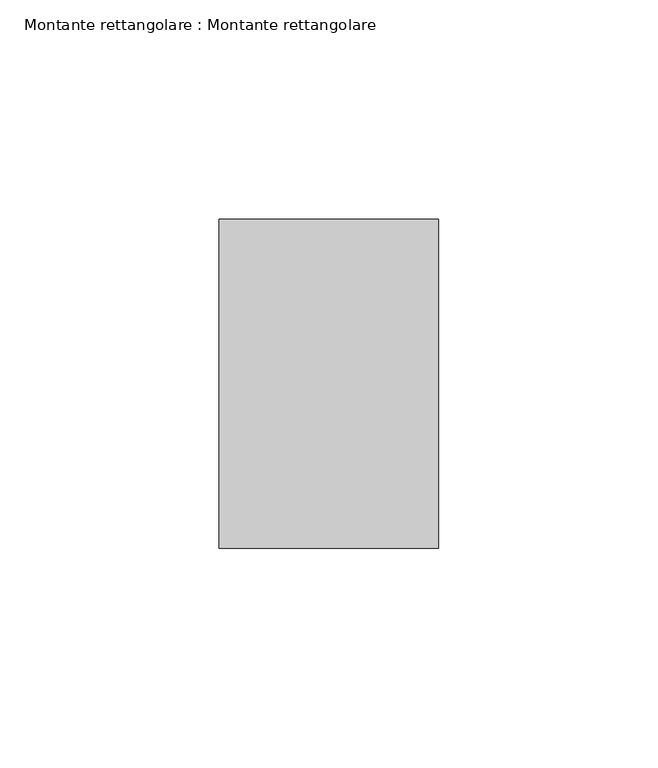
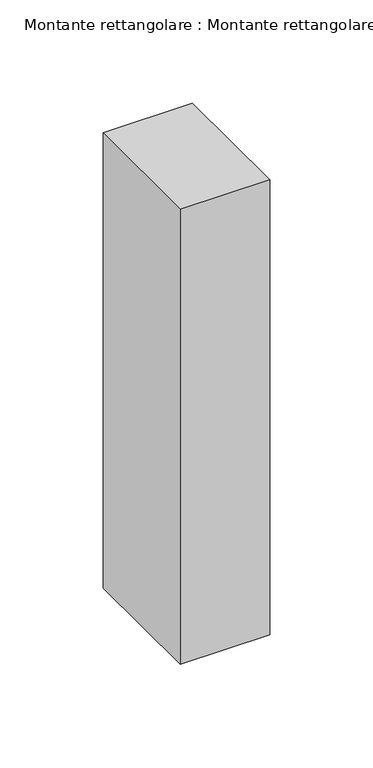
"""IFC4 building model written with IfcOpenShell, lengths in millimetres: member geometry, Montante rettangolare : Montante rettangolare."""

from ifc_helpers import new_model, si_unit, origin, place, context, project, spatial, faceted_brep, source, transform, mapped, element, save


def montante_rettangolare_montante_rettangolare_a37df086(model_context):
    return source(origin(), model_context, "Body", "Brep", [
        faceted_brep([(-50.0, 37.5, -0.0176407), (0.0, 37.5, -0.0176407), (0.0, 37.5, -269.8224179), (-50.0, 37.5, -269.822418), (-50.0, -37.5, 0.0176297), (-50.0, -37.3933104, -269.5038181), (0.0, -37.5, 0.0176297), (0.0, -37.5, -269.5033642)], [[[0, 1, 2, 3]], [[4, 0, 3, 5]], [[6, 4, 5, 7]], [[1, 6, 7, 2]], [[1, 0, 4, 6]], [[2, 7, 5, 3]]]),
    ])


if __name__ == "__main__":
    model = new_model("IFC4")
    model_context = context("Model", 3, world=origin())
    ifc_project = project(units=[si_unit("LENGTHUNIT", "METRE", prefix="MILLI")], contexts=[model_context])
    site = spatial("IfcSite", under=ifc_project)
    building = spatial("IfcBuilding", under=site)
    placement = place(None, origin())
    montante_rettangolare_montante_rettangolare_shape = montante_rettangolare_montante_rettangolare_a37df086(model_context)
    element("IfcMember", 1, ObjectType="Montante rettangolare : Montante rettangolare", at=placement, inside=building, context=model_context, shape_type="MappedRepresentation", body=[
        mapped(montante_rettangolare_montante_rettangolare_shape, transform((0.0, 0.0, 0.0), x_axis=(1.0, 0.0, 0.0), y_axis=(0.0, 1.0, 0.0), z_axis=(0.0, 0.0, 1.0))),
    ])
    save(model, "model.ifc")
